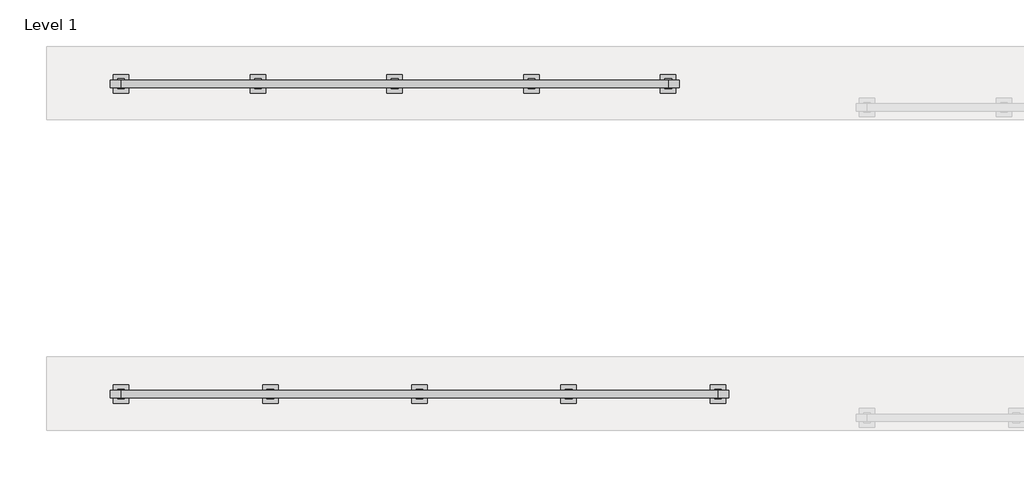
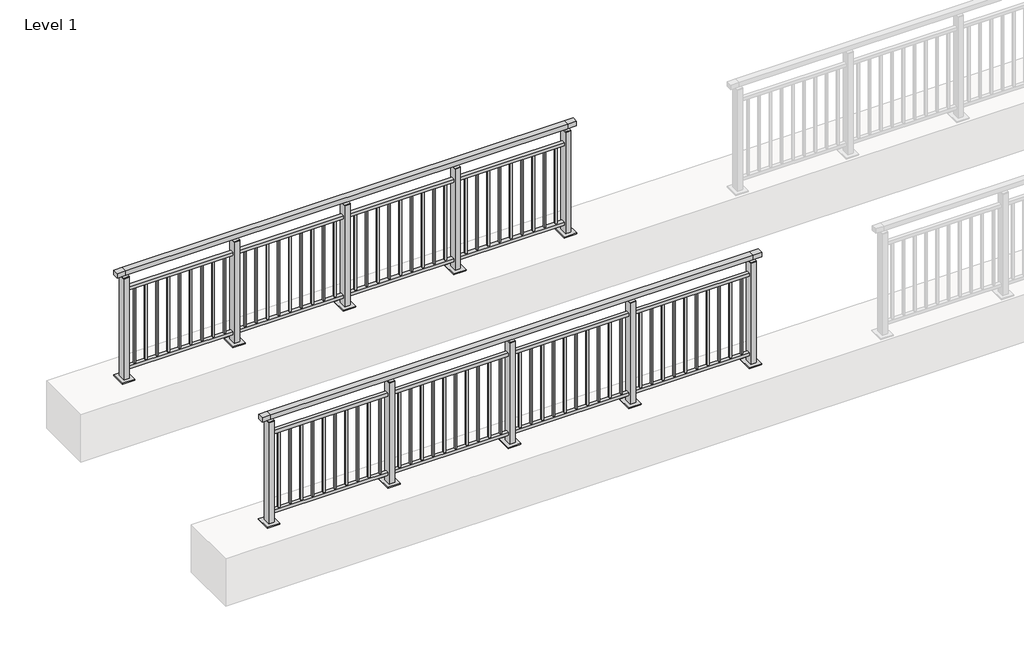
# One storey, part 3 of 38: 2 railings.
"""IFC4 building model written with IfcOpenShell, lengths in millimetres."""

from ifc_helpers import new_model, si_unit, frame, origin, origin_with_axes, place, context, project, spatial, polyline, outline, extrude, faceted_brep, element, save

model = new_model("IFC4")

# Units and contexts
model_context = context("Model", 3, world=origin())
ifc_project = project(units=[si_unit("LENGTHUNIT", "METRE", prefix="MILLI")], contexts=[model_context])

# Site, building, storey
site = spatial("IfcSite", under=ifc_project)
building = spatial("IfcBuilding", under=site)
storey = spatial("IfcBuildingStorey", under=building, Name="Level 1", Elevation=0.0)

# Railings
placement = place(None, origin())
element("IfcRailing", 1, at=placement, inside=storey, context=model_context, shape_type="SolidModel", body=[
    faceted_brep([(0.0, 2720.1846828, 1102.5), (0.0, 2720.1846828, 1150.0), (4800.0, 2720.1846828, 1150.0), (4800.0, 2720.1846828, 1102.5), (0.0, 2660.1846828, 1102.5), (4800.0, 2660.1846828, 1102.5), (0.0, 2660.1846828, 1150.0), (4800.0, 2660.1846828, 1150.0), (-87.5, 2720.1846828, 1150.0), (-87.5, 2720.1846828, 1102.5), (-87.5, 2660.1846828, 1102.5), (-87.5, 2660.1846828, 1150.0), (4887.5, 2720.1846828, 1150.0), (4887.5, 2660.1846828, 1150.0), (4887.5, 2660.1846828, 1102.5), (4887.5, 2720.1846828, 1102.5)], [[[0, 1, 2, 3]], [[4, 0, 3, 5]], [[6, 4, 5, 7]], [[1, 6, 7, 2]], [[8, 9, 10, 11]], [[9, 8, 1, 0]], [[10, 9, 0, 4]], [[11, 10, 4, 6]], [[8, 11, 6, 1]], [[12, 13, 14, 15]], [[3, 2, 12, 15]], [[5, 3, 15, 14]], [[7, 5, 14, 13]], [[2, 7, 13, 12]]]),
    extrude(outline(polyline([(0.0, 2672.1846828), (0.0, 2708.1846828), (4800.0, 2708.1846828), (4800.0, 2672.1846828), (0.0, 2672.1846828)])), frame((0.0, 0.0, 928.0), z_axis=(0.0, 0.0, 1.0), x_axis=(1.0, 0.0, 0.0)), (0.0, 0.0, 1.0), 32.0),
    extrude(outline(polyline([(0.0, 2672.1846828), (0.0, 2708.1846828), (4800.0, 2708.1846828), (4800.0, 2672.1846828), (0.0, 2672.1846828)])), frame((0.0, 0.0, 93.0), z_axis=(0.0, 0.0, 1.0), x_axis=(1.0, 0.0, 0.0)), (0.0, 0.0, 1.0), 32.0),
    extrude(outline(polyline([(4712.5, 2698.6846828), (4712.5, 2681.6846828), (4695.5, 2681.6846828), (4695.5, 2698.6846828), (4712.5, 2698.6846828)])), frame((0.0, 0.0, 125.0), z_axis=(0.0, 0.0, 1.0), x_axis=(1.0, 0.0, 0.0)), (0.0, 0.0, 1.0), 803.0),
    extrude(outline(polyline([(4600.5, 2698.6846828), (4600.5, 2681.6846828), (4583.5, 2681.6846828), (4583.5, 2698.6846828), (4600.5, 2698.6846828)])), frame((0.0, 0.0, 125.0), z_axis=(0.0, 0.0, 1.0), x_axis=(1.0, 0.0, 0.0)), (0.0, 0.0, 1.0), 803.0),
    extrude(outline(polyline([(4488.5, 2698.6846828), (4488.5, 2681.6846828), (4471.5, 2681.6846828), (4471.5, 2698.6846828), (4488.5, 2698.6846828)])), frame((0.0, 0.0, 125.0), z_axis=(0.0, 0.0, 1.0), x_axis=(1.0, 0.0, 0.0)), (0.0, 0.0, 1.0), 803.0),
    extrude(outline(polyline([(4376.5, 2698.6846828), (4376.5, 2681.6846828), (4359.5, 2681.6846828), (4359.5, 2698.6846828), (4376.5, 2698.6846828)])), frame((0.0, 0.0, 125.0), z_axis=(0.0, 0.0, 1.0), x_axis=(1.0, 0.0, 0.0)), (0.0, 0.0, 1.0), 803.0),
    extrude(outline(polyline([(4264.5, 2698.6846828), (4264.5, 2681.6846828), (4247.5, 2681.6846828), (4247.5, 2698.6846828), (4264.5, 2698.6846828)])), frame((0.0, 0.0, 125.0), z_axis=(0.0, 0.0, 1.0), x_axis=(1.0, 0.0, 0.0)), (0.0, 0.0, 1.0), 803.0),
    extrude(outline(polyline([(4152.5, 2698.6846828), (4152.5, 2681.6846828), (4135.5, 2681.6846828), (4135.5, 2698.6846828), (4152.5, 2698.6846828)])), frame((0.0, 0.0, 125.0), z_axis=(0.0, 0.0, 1.0), x_axis=(1.0, 0.0, 0.0)), (0.0, 0.0, 1.0), 803.0),
    extrude(outline(polyline([(4040.5, 2698.6846828), (4040.5, 2681.6846828), (4023.5, 2681.6846828), (4023.5, 2698.6846828), (4040.5, 2698.6846828)])), frame((0.0, 0.0, 125.0), z_axis=(0.0, 0.0, 1.0), x_axis=(1.0, 0.0, 0.0)), (0.0, 0.0, 1.0), 803.0),
    extrude(outline(polyline([(3928.5, 2698.6846828), (3928.5, 2681.6846828), (3911.5, 2681.6846828), (3911.5, 2698.6846828), (3928.5, 2698.6846828)])), frame((0.0, 0.0, 125.0), z_axis=(0.0, 0.0, 1.0), x_axis=(1.0, 0.0, 0.0)), (0.0, 0.0, 1.0), 803.0),
    extrude(outline(polyline([(3816.5, 2698.6846828), (3816.5, 2681.6846828), (3799.5, 2681.6846828), (3799.5, 2698.6846828), (3816.5, 2698.6846828)])), frame((0.0, 0.0, 125.0), z_axis=(0.0, 0.0, 1.0), x_axis=(1.0, 0.0, 0.0)), (0.0, 0.0, 1.0), 803.0),
    extrude(outline(polyline([(3704.5, 2698.6846828), (3704.5, 2681.6846828), (3687.5, 2681.6846828), (3687.5, 2698.6846828), (3704.5, 2698.6846828)])), frame((0.0, 0.0, 125.0), z_axis=(0.0, 0.0, 1.0), x_axis=(1.0, 0.0, 0.0)), (0.0, 0.0, 1.0), 803.0),
    extrude(outline(polyline([(3610.0, 2680.1846828), (3590.0, 2680.1846828), (3590.0, 2700.1846828), (3610.0, 2700.1846828), (3610.0, 2680.1846828)])), frame((0.0, 0.0, 1085.0), z_axis=(0.0, 0.0, 1.0), x_axis=(1.0, 0.0, 0.0)), (0.0, 0.0, 1.0), 20.0),
    extrude(outline(polyline([(3627.0, 2651.1846828), (3573.0, 2651.1846828), (3573.0, 2729.1846828), (3627.0, 2729.1846828), (3627.0, 2651.1846828)])), frame((0.0, 0.0, 1077.0), z_axis=(0.0, 0.0, 1.0), x_axis=(1.0, 0.0, 0.0)), (0.0, 0.0, 1.0), 8.0),
    extrude(outline(polyline([(3662.5, 2615.1846828), (3537.5, 2615.1846828), (3537.5, 2765.1846828), (3662.5, 2765.1846828), (3662.5, 2615.1846828)])), origin_with_axes(), (0.0, 0.0, 1.0), 12.0),
    extrude(outline(polyline([(3627.0, 2651.1846828), (3573.0, 2651.1846828), (3573.0, 2729.1846828), (3627.0, 2729.1846828), (3627.0, 2651.1846828)])), frame((0.0, 0.0, 12.0), z_axis=(0.0, 0.0, 1.0), x_axis=(1.0, 0.0, 0.0)), (0.0, 0.0, 1.0), 1065.0),
    extrude(outline(polyline([(3512.5, 2698.6846828), (3512.5, 2681.6846828), (3495.5, 2681.6846828), (3495.5, 2698.6846828), (3512.5, 2698.6846828)])), frame((0.0, 0.0, 125.0), z_axis=(0.0, 0.0, 1.0), x_axis=(1.0, 0.0, 0.0)), (0.0, 0.0, 1.0), 803.0),
    extrude(outline(polyline([(3400.5, 2698.6846828), (3400.5, 2681.6846828), (3383.5, 2681.6846828), (3383.5, 2698.6846828), (3400.5, 2698.6846828)])), frame((0.0, 0.0, 125.0), z_axis=(0.0, 0.0, 1.0), x_axis=(1.0, 0.0, 0.0)), (0.0, 0.0, 1.0), 803.0),
    extrude(outline(polyline([(3288.5, 2698.6846828), (3288.5, 2681.6846828), (3271.5, 2681.6846828), (3271.5, 2698.6846828), (3288.5, 2698.6846828)])), frame((0.0, 0.0, 125.0), z_axis=(0.0, 0.0, 1.0), x_axis=(1.0, 0.0, 0.0)), (0.0, 0.0, 1.0), 803.0),
    extrude(outline(polyline([(3176.5, 2698.6846828), (3176.5, 2681.6846828), (3159.5, 2681.6846828), (3159.5, 2698.6846828), (3176.5, 2698.6846828)])), frame((0.0, 0.0, 125.0), z_axis=(0.0, 0.0, 1.0), x_axis=(1.0, 0.0, 0.0)), (0.0, 0.0, 1.0), 803.0),
    extrude(outline(polyline([(3064.5, 2698.6846828), (3064.5, 2681.6846828), (3047.5, 2681.6846828), (3047.5, 2698.6846828), (3064.5, 2698.6846828)])), frame((0.0, 0.0, 125.0), z_axis=(0.0, 0.0, 1.0), x_axis=(1.0, 0.0, 0.0)), (0.0, 0.0, 1.0), 803.0),
    extrude(outline(polyline([(2952.5, 2698.6846828), (2952.5, 2681.6846828), (2935.5, 2681.6846828), (2935.5, 2698.6846828), (2952.5, 2698.6846828)])), frame((0.0, 0.0, 125.0), z_axis=(0.0, 0.0, 1.0), x_axis=(1.0, 0.0, 0.0)), (0.0, 0.0, 1.0), 803.0),
    extrude(outline(polyline([(2840.5, 2698.6846828), (2840.5, 2681.6846828), (2823.5, 2681.6846828), (2823.5, 2698.6846828), (2840.5, 2698.6846828)])), frame((0.0, 0.0, 125.0), z_axis=(0.0, 0.0, 1.0), x_axis=(1.0, 0.0, 0.0)), (0.0, 0.0, 1.0), 803.0),
    extrude(outline(polyline([(2728.5, 2698.6846828), (2728.5, 2681.6846828), (2711.5, 2681.6846828), (2711.5, 2698.6846828), (2728.5, 2698.6846828)])), frame((0.0, 0.0, 125.0), z_axis=(0.0, 0.0, 1.0), x_axis=(1.0, 0.0, 0.0)), (0.0, 0.0, 1.0), 803.0),
    extrude(outline(polyline([(2616.5, 2698.6846828), (2616.5, 2681.6846828), (2599.5, 2681.6846828), (2599.5, 2698.6846828), (2616.5, 2698.6846828)])), frame((0.0, 0.0, 125.0), z_axis=(0.0, 0.0, 1.0), x_axis=(1.0, 0.0, 0.0)), (0.0, 0.0, 1.0), 803.0),
    extrude(outline(polyline([(2504.5, 2698.6846828), (2504.5, 2681.6846828), (2487.5, 2681.6846828), (2487.5, 2698.6846828), (2504.5, 2698.6846828)])), frame((0.0, 0.0, 125.0), z_axis=(0.0, 0.0, 1.0), x_axis=(1.0, 0.0, 0.0)), (0.0, 0.0, 1.0), 803.0),
    extrude(outline(polyline([(2410.0, 2680.1846828), (2390.0, 2680.1846828), (2390.0, 2700.1846828), (2410.0, 2700.1846828), (2410.0, 2680.1846828)])), frame((0.0, 0.0, 1085.0), z_axis=(0.0, 0.0, 1.0), x_axis=(1.0, 0.0, 0.0)), (0.0, 0.0, 1.0), 20.0),
    extrude(outline(polyline([(2427.0, 2651.1846828), (2373.0, 2651.1846828), (2373.0, 2729.1846828), (2427.0, 2729.1846828), (2427.0, 2651.1846828)])), frame((0.0, 0.0, 1077.0), z_axis=(0.0, 0.0, 1.0), x_axis=(1.0, 0.0, 0.0)), (0.0, 0.0, 1.0), 8.0),
    extrude(outline(polyline([(2462.5, 2615.1846828), (2337.5, 2615.1846828), (2337.5, 2765.1846828), (2462.5, 2765.1846828), (2462.5, 2615.1846828)])), origin_with_axes(), (0.0, 0.0, 1.0), 12.0),
    extrude(outline(polyline([(2427.0, 2651.1846828), (2373.0, 2651.1846828), (2373.0, 2729.1846828), (2427.0, 2729.1846828), (2427.0, 2651.1846828)])), frame((0.0, 0.0, 12.0), z_axis=(0.0, 0.0, 1.0), x_axis=(1.0, 0.0, 0.0)), (0.0, 0.0, 1.0), 1065.0),
    extrude(outline(polyline([(2312.5, 2698.6846828), (2312.5, 2681.6846828), (2295.5, 2681.6846828), (2295.5, 2698.6846828), (2312.5, 2698.6846828)])), frame((0.0, 0.0, 125.0), z_axis=(0.0, 0.0, 1.0), x_axis=(1.0, 0.0, 0.0)), (0.0, 0.0, 1.0), 803.0),
    extrude(outline(polyline([(2200.5, 2698.6846828), (2200.5, 2681.6846828), (2183.5, 2681.6846828), (2183.5, 2698.6846828), (2200.5, 2698.6846828)])), frame((0.0, 0.0, 125.0), z_axis=(0.0, 0.0, 1.0), x_axis=(1.0, 0.0, 0.0)), (0.0, 0.0, 1.0), 803.0),
    extrude(outline(polyline([(2088.5, 2698.6846828), (2088.5, 2681.6846828), (2071.5, 2681.6846828), (2071.5, 2698.6846828), (2088.5, 2698.6846828)])), frame((0.0, 0.0, 125.0), z_axis=(0.0, 0.0, 1.0), x_axis=(1.0, 0.0, 0.0)), (0.0, 0.0, 1.0), 803.0),
    extrude(outline(polyline([(1976.5, 2698.6846828), (1976.5, 2681.6846828), (1959.5, 2681.6846828), (1959.5, 2698.6846828), (1976.5, 2698.6846828)])), frame((0.0, 0.0, 125.0), z_axis=(0.0, 0.0, 1.0), x_axis=(1.0, 0.0, 0.0)), (0.0, 0.0, 1.0), 803.0),
    extrude(outline(polyline([(1864.5, 2698.6846828), (1864.5, 2681.6846828), (1847.5, 2681.6846828), (1847.5, 2698.6846828), (1864.5, 2698.6846828)])), frame((0.0, 0.0, 125.0), z_axis=(0.0, 0.0, 1.0), x_axis=(1.0, 0.0, 0.0)), (0.0, 0.0, 1.0), 803.0),
    extrude(outline(polyline([(1752.5, 2698.6846828), (1752.5, 2681.6846828), (1735.5, 2681.6846828), (1735.5, 2698.6846828), (1752.5, 2698.6846828)])), frame((0.0, 0.0, 125.0), z_axis=(0.0, 0.0, 1.0), x_axis=(1.0, 0.0, 0.0)), (0.0, 0.0, 1.0), 803.0),
    extrude(outline(polyline([(1640.5, 2698.6846828), (1640.5, 2681.6846828), (1623.5, 2681.6846828), (1623.5, 2698.6846828), (1640.5, 2698.6846828)])), frame((0.0, 0.0, 125.0), z_axis=(0.0, 0.0, 1.0), x_axis=(1.0, 0.0, 0.0)), (0.0, 0.0, 1.0), 803.0),
    extrude(outline(polyline([(1528.5, 2698.6846828), (1528.5, 2681.6846828), (1511.5, 2681.6846828), (1511.5, 2698.6846828), (1528.5, 2698.6846828)])), frame((0.0, 0.0, 125.0), z_axis=(0.0, 0.0, 1.0), x_axis=(1.0, 0.0, 0.0)), (0.0, 0.0, 1.0), 803.0),
    extrude(outline(polyline([(1416.5, 2698.6846828), (1416.5, 2681.6846828), (1399.5, 2681.6846828), (1399.5, 2698.6846828), (1416.5, 2698.6846828)])), frame((0.0, 0.0, 125.0), z_axis=(0.0, 0.0, 1.0), x_axis=(1.0, 0.0, 0.0)), (0.0, 0.0, 1.0), 803.0),
    extrude(outline(polyline([(1304.5, 2698.6846828), (1304.5, 2681.6846828), (1287.5, 2681.6846828), (1287.5, 2698.6846828), (1304.5, 2698.6846828)])), frame((0.0, 0.0, 125.0), z_axis=(0.0, 0.0, 1.0), x_axis=(1.0, 0.0, 0.0)), (0.0, 0.0, 1.0), 803.0),
    extrude(outline(polyline([(1210.0, 2680.1846828), (1190.0, 2680.1846828), (1190.0, 2700.1846828), (1210.0, 2700.1846828), (1210.0, 2680.1846828)])), frame((0.0, 0.0, 1085.0), z_axis=(0.0, 0.0, 1.0), x_axis=(1.0, 0.0, 0.0)), (0.0, 0.0, 1.0), 20.0),
    extrude(outline(polyline([(1227.0, 2651.1846828), (1173.0, 2651.1846828), (1173.0, 2729.1846828), (1227.0, 2729.1846828), (1227.0, 2651.1846828)])), frame((0.0, 0.0, 1077.0), z_axis=(0.0, 0.0, 1.0), x_axis=(1.0, 0.0, 0.0)), (0.0, 0.0, 1.0), 8.0),
    extrude(outline(polyline([(1262.5, 2615.1846828), (1137.5, 2615.1846828), (1137.5, 2765.1846828), (1262.5, 2765.1846828), (1262.5, 2615.1846828)])), origin_with_axes(), (0.0, 0.0, 1.0), 12.0),
    extrude(outline(polyline([(1227.0, 2651.1846828), (1173.0, 2651.1846828), (1173.0, 2729.1846828), (1227.0, 2729.1846828), (1227.0, 2651.1846828)])), frame((0.0, 0.0, 12.0), z_axis=(0.0, 0.0, 1.0), x_axis=(1.0, 0.0, 0.0)), (0.0, 0.0, 1.0), 1065.0),
    extrude(outline(polyline([(1112.5, 2698.6846828), (1112.5, 2681.6846828), (1095.5, 2681.6846828), (1095.5, 2698.6846828), (1112.5, 2698.6846828)])), frame((0.0, 0.0, 125.0), z_axis=(0.0, 0.0, 1.0), x_axis=(1.0, 0.0, 0.0)), (0.0, 0.0, 1.0), 803.0),
    extrude(outline(polyline([(1000.5, 2698.6846828), (1000.5, 2681.6846828), (983.5, 2681.6846828), (983.5, 2698.6846828), (1000.5, 2698.6846828)])), frame((0.0, 0.0, 125.0), z_axis=(0.0, 0.0, 1.0), x_axis=(1.0, 0.0, 0.0)), (0.0, 0.0, 1.0), 803.0),
    extrude(outline(polyline([(888.5, 2698.6846828), (888.5, 2681.6846828), (871.5, 2681.6846828), (871.5, 2698.6846828), (888.5, 2698.6846828)])), frame((0.0, 0.0, 125.0), z_axis=(0.0, 0.0, 1.0), x_axis=(1.0, 0.0, 0.0)), (0.0, 0.0, 1.0), 803.0),
    extrude(outline(polyline([(776.5, 2698.6846828), (776.5, 2681.6846828), (759.5, 2681.6846828), (759.5, 2698.6846828), (776.5, 2698.6846828)])), frame((0.0, 0.0, 125.0), z_axis=(0.0, 0.0, 1.0), x_axis=(1.0, 0.0, 0.0)), (0.0, 0.0, 1.0), 803.0),
    extrude(outline(polyline([(664.5, 2698.6846828), (664.5, 2681.6846828), (647.5, 2681.6846828), (647.5, 2698.6846828), (664.5, 2698.6846828)])), frame((0.0, 0.0, 125.0), z_axis=(0.0, 0.0, 1.0), x_axis=(1.0, 0.0, 0.0)), (0.0, 0.0, 1.0), 803.0),
    extrude(outline(polyline([(552.5, 2698.6846828), (552.5, 2681.6846828), (535.5, 2681.6846828), (535.5, 2698.6846828), (552.5, 2698.6846828)])), frame((0.0, 0.0, 125.0), z_axis=(0.0, 0.0, 1.0), x_axis=(1.0, 0.0, 0.0)), (0.0, 0.0, 1.0), 803.0),
    extrude(outline(polyline([(440.5, 2698.6846828), (440.5, 2681.6846828), (423.5, 2681.6846828), (423.5, 2698.6846828), (440.5, 2698.6846828)])), frame((0.0, 0.0, 125.0), z_axis=(0.0, 0.0, 1.0), x_axis=(1.0, 0.0, 0.0)), (0.0, 0.0, 1.0), 803.0),
    extrude(outline(polyline([(328.5, 2698.6846828), (328.5, 2681.6846828), (311.5, 2681.6846828), (311.5, 2698.6846828), (328.5, 2698.6846828)])), frame((0.0, 0.0, 125.0), z_axis=(0.0, 0.0, 1.0), x_axis=(1.0, 0.0, 0.0)), (0.0, 0.0, 1.0), 803.0),
    extrude(outline(polyline([(216.5, 2698.6846828), (216.5, 2681.6846828), (199.5, 2681.6846828), (199.5, 2698.6846828), (216.5, 2698.6846828)])), frame((0.0, 0.0, 125.0), z_axis=(0.0, 0.0, 1.0), x_axis=(1.0, 0.0, 0.0)), (0.0, 0.0, 1.0), 803.0),
    extrude(outline(polyline([(104.5, 2698.6846828), (104.5, 2681.6846828), (87.5, 2681.6846828), (87.5, 2698.6846828), (104.5, 2698.6846828)])), frame((0.0, 0.0, 125.0), z_axis=(0.0, 0.0, 1.0), x_axis=(1.0, 0.0, 0.0)), (0.0, 0.0, 1.0), 803.0),
    extrude(outline(polyline([(4810.0, 2680.1846828), (4790.0, 2680.1846828), (4790.0, 2700.1846828), (4810.0, 2700.1846828), (4810.0, 2680.1846828)])), frame((0.0, 0.0, 1085.0), z_axis=(0.0, 0.0, 1.0), x_axis=(1.0, 0.0, 0.0)), (0.0, 0.0, 1.0), 20.0),
    extrude(outline(polyline([(4827.0, 2651.1846828), (4773.0, 2651.1846828), (4773.0, 2729.1846828), (4827.0, 2729.1846828), (4827.0, 2651.1846828)])), frame((0.0, 0.0, 1077.0), z_axis=(0.0, 0.0, 1.0), x_axis=(1.0, 0.0, 0.0)), (0.0, 0.0, 1.0), 8.0),
    extrude(outline(polyline([(4862.5, 2615.1846828), (4737.5, 2615.1846828), (4737.5, 2765.1846828), (4862.5, 2765.1846828), (4862.5, 2615.1846828)])), origin_with_axes(), (0.0, 0.0, 1.0), 12.0),
    extrude(outline(polyline([(4827.0, 2651.1846828), (4773.0, 2651.1846828), (4773.0, 2729.1846828), (4827.0, 2729.1846828), (4827.0, 2651.1846828)])), frame((0.0, 0.0, 12.0), z_axis=(0.0, 0.0, 1.0), x_axis=(1.0, 0.0, 0.0)), (0.0, 0.0, 1.0), 1065.0),
    extrude(outline(polyline([(10.0, 2680.1846828), (-10.0, 2680.1846828), (-10.0, 2700.1846828), (10.0, 2700.1846828), (10.0, 2680.1846828)])), frame((0.0, 0.0, 1085.0), z_axis=(0.0, 0.0, 1.0), x_axis=(1.0, 0.0, 0.0)), (0.0, 0.0, 1.0), 20.0),
    extrude(outline(polyline([(27.0, 2651.1846828), (-27.0, 2651.1846828), (-27.0, 2729.1846828), (27.0, 2729.1846828), (27.0, 2651.1846828)])), frame((0.0, 0.0, 1077.0), z_axis=(0.0, 0.0, 1.0), x_axis=(1.0, 0.0, 0.0)), (0.0, 0.0, 1.0), 8.0),
    extrude(outline(polyline([(62.5, 2615.1846828), (-62.5, 2615.1846828), (-62.5, 2765.1846828), (62.5, 2765.1846828), (62.5, 2615.1846828)])), origin_with_axes(), (0.0, 0.0, 1.0), 12.0),
    extrude(outline(polyline([(27.0, 2651.1846828), (-27.0, 2651.1846828), (-27.0, 2729.1846828), (27.0, 2729.1846828), (27.0, 2651.1846828)])), frame((0.0, 0.0, 12.0), z_axis=(0.0, 0.0, 1.0), x_axis=(1.0, 0.0, 0.0)), (0.0, 0.0, 1.0), 1065.0),
])
element("IfcRailing", 2, at=placement, inside=storey, context=model_context, shape_type="SolidModel", body=[
    faceted_brep([(0.0, 5220.1846828, 1102.5), (0.0, 5220.1846828, 1150.0), (4400.0, 5220.1846828, 1150.0), (4400.0, 5220.1846828, 1102.5), (0.0, 5160.1846828, 1102.5), (4400.0, 5160.1846828, 1102.5), (0.0, 5160.1846828, 1150.0), (4400.0, 5160.1846828, 1150.0), (-87.5, 5220.1846828, 1150.0), (-87.5, 5220.1846828, 1102.5), (-87.5, 5160.1846828, 1102.5), (-87.5, 5160.1846828, 1150.0), (4487.5, 5220.1846828, 1150.0), (4487.5, 5160.1846828, 1150.0), (4487.5, 5160.1846828, 1102.5), (4487.5, 5220.1846828, 1102.5)], [[[0, 1, 2, 3]], [[4, 0, 3, 5]], [[6, 4, 5, 7]], [[1, 6, 7, 2]], [[8, 9, 10, 11]], [[9, 8, 1, 0]], [[10, 9, 0, 4]], [[11, 10, 4, 6]], [[8, 11, 6, 1]], [[12, 13, 14, 15]], [[3, 2, 12, 15]], [[5, 3, 15, 14]], [[7, 5, 14, 13]], [[2, 7, 13, 12]]]),
    extrude(outline(polyline([(0.0, 5172.1846828), (0.0, 5208.1846828), (4400.0, 5208.1846828), (4400.0, 5172.1846828), (0.0, 5172.1846828)])), frame((0.0, 0.0, 928.0), z_axis=(0.0, 0.0, 1.0), x_axis=(1.0, 0.0, 0.0)), (0.0, 0.0, 1.0), 32.0),
    extrude(outline(polyline([(0.0, 5172.1846828), (0.0, 5208.1846828), (4400.0, 5208.1846828), (4400.0, 5172.1846828), (0.0, 5172.1846828)])), frame((0.0, 0.0, 93.0), z_axis=(0.0, 0.0, 1.0), x_axis=(1.0, 0.0, 0.0)), (0.0, 0.0, 1.0), 32.0),
    extrude(outline(polyline([(4306.5, 5198.6846828), (4306.5, 5181.6846828), (4289.5, 5181.6846828), (4289.5, 5198.6846828), (4306.5, 5198.6846828)])), frame((0.0, 0.0, 125.0), z_axis=(0.0, 0.0, 1.0), x_axis=(1.0, 0.0, 0.0)), (0.0, 0.0, 1.0), 803.0),
    extrude(outline(polyline([(4194.5, 5198.6846828), (4194.5, 5181.6846828), (4177.5, 5181.6846828), (4177.5, 5198.6846828), (4194.5, 5198.6846828)])), frame((0.0, 0.0, 125.0), z_axis=(0.0, 0.0, 1.0), x_axis=(1.0, 0.0, 0.0)), (0.0, 0.0, 1.0), 803.0),
    extrude(outline(polyline([(4082.5, 5198.6846828), (4082.5, 5181.6846828), (4065.5, 5181.6846828), (4065.5, 5198.6846828), (4082.5, 5198.6846828)])), frame((0.0, 0.0, 125.0), z_axis=(0.0, 0.0, 1.0), x_axis=(1.0, 0.0, 0.0)), (0.0, 0.0, 1.0), 803.0),
    extrude(outline(polyline([(3970.5, 5198.6846828), (3970.5, 5181.6846828), (3953.5, 5181.6846828), (3953.5, 5198.6846828), (3970.5, 5198.6846828)])), frame((0.0, 0.0, 125.0), z_axis=(0.0, 0.0, 1.0), x_axis=(1.0, 0.0, 0.0)), (0.0, 0.0, 1.0), 803.0),
    extrude(outline(polyline([(3858.5, 5198.6846828), (3858.5, 5181.6846828), (3841.5, 5181.6846828), (3841.5, 5198.6846828), (3858.5, 5198.6846828)])), frame((0.0, 0.0, 125.0), z_axis=(0.0, 0.0, 1.0), x_axis=(1.0, 0.0, 0.0)), (0.0, 0.0, 1.0), 803.0),
    extrude(outline(polyline([(3746.5, 5198.6846828), (3746.5, 5181.6846828), (3729.5, 5181.6846828), (3729.5, 5198.6846828), (3746.5, 5198.6846828)])), frame((0.0, 0.0, 125.0), z_axis=(0.0, 0.0, 1.0), x_axis=(1.0, 0.0, 0.0)), (0.0, 0.0, 1.0), 803.0),
    extrude(outline(polyline([(3634.5, 5198.6846828), (3634.5, 5181.6846828), (3617.5, 5181.6846828), (3617.5, 5198.6846828), (3634.5, 5198.6846828)])), frame((0.0, 0.0, 125.0), z_axis=(0.0, 0.0, 1.0), x_axis=(1.0, 0.0, 0.0)), (0.0, 0.0, 1.0), 803.0),
    extrude(outline(polyline([(3522.5, 5198.6846828), (3522.5, 5181.6846828), (3505.5, 5181.6846828), (3505.5, 5198.6846828), (3522.5, 5198.6846828)])), frame((0.0, 0.0, 125.0), z_axis=(0.0, 0.0, 1.0), x_axis=(1.0, 0.0, 0.0)), (0.0, 0.0, 1.0), 803.0),
    extrude(outline(polyline([(3410.5, 5198.6846828), (3410.5, 5181.6846828), (3393.5, 5181.6846828), (3393.5, 5198.6846828), (3410.5, 5198.6846828)])), frame((0.0, 0.0, 125.0), z_axis=(0.0, 0.0, 1.0), x_axis=(1.0, 0.0, 0.0)), (0.0, 0.0, 1.0), 803.0),
    extrude(outline(polyline([(3310.0, 5180.1846828), (3290.0, 5180.1846828), (3290.0, 5200.1846828), (3310.0, 5200.1846828), (3310.0, 5180.1846828)])), frame((0.0, 0.0, 1085.0), z_axis=(0.0, 0.0, 1.0), x_axis=(1.0, 0.0, 0.0)), (0.0, 0.0, 1.0), 20.0),
    extrude(outline(polyline([(3327.0, 5151.1846828), (3273.0, 5151.1846828), (3273.0, 5229.1846828), (3327.0, 5229.1846828), (3327.0, 5151.1846828)])), frame((0.0, 0.0, 1077.0), z_axis=(0.0, 0.0, 1.0), x_axis=(1.0, 0.0, 0.0)), (0.0, 0.0, 1.0), 8.0),
    extrude(outline(polyline([(3362.5, 5115.1846828), (3237.5, 5115.1846828), (3237.5, 5265.1846828), (3362.5, 5265.1846828), (3362.5, 5115.1846828)])), origin_with_axes(), (0.0, 0.0, 1.0), 12.0),
    extrude(outline(polyline([(3327.0, 5151.1846828), (3273.0, 5151.1846828), (3273.0, 5229.1846828), (3327.0, 5229.1846828), (3327.0, 5151.1846828)])), frame((0.0, 0.0, 12.0), z_axis=(0.0, 0.0, 1.0), x_axis=(1.0, 0.0, 0.0)), (0.0, 0.0, 1.0), 1065.0),
    extrude(outline(polyline([(3206.5, 5198.6846828), (3206.5, 5181.6846828), (3189.5, 5181.6846828), (3189.5, 5198.6846828), (3206.5, 5198.6846828)])), frame((0.0, 0.0, 125.0), z_axis=(0.0, 0.0, 1.0), x_axis=(1.0, 0.0, 0.0)), (0.0, 0.0, 1.0), 803.0),
    extrude(outline(polyline([(3094.5, 5198.6846828), (3094.5, 5181.6846828), (3077.5, 5181.6846828), (3077.5, 5198.6846828), (3094.5, 5198.6846828)])), frame((0.0, 0.0, 125.0), z_axis=(0.0, 0.0, 1.0), x_axis=(1.0, 0.0, 0.0)), (0.0, 0.0, 1.0), 803.0),
    extrude(outline(polyline([(2982.5, 5198.6846828), (2982.5, 5181.6846828), (2965.5, 5181.6846828), (2965.5, 5198.6846828), (2982.5, 5198.6846828)])), frame((0.0, 0.0, 125.0), z_axis=(0.0, 0.0, 1.0), x_axis=(1.0, 0.0, 0.0)), (0.0, 0.0, 1.0), 803.0),
    extrude(outline(polyline([(2870.5, 5198.6846828), (2870.5, 5181.6846828), (2853.5, 5181.6846828), (2853.5, 5198.6846828), (2870.5, 5198.6846828)])), frame((0.0, 0.0, 125.0), z_axis=(0.0, 0.0, 1.0), x_axis=(1.0, 0.0, 0.0)), (0.0, 0.0, 1.0), 803.0),
    extrude(outline(polyline([(2758.5, 5198.6846828), (2758.5, 5181.6846828), (2741.5, 5181.6846828), (2741.5, 5198.6846828), (2758.5, 5198.6846828)])), frame((0.0, 0.0, 125.0), z_axis=(0.0, 0.0, 1.0), x_axis=(1.0, 0.0, 0.0)), (0.0, 0.0, 1.0), 803.0),
    extrude(outline(polyline([(2646.5, 5198.6846828), (2646.5, 5181.6846828), (2629.5, 5181.6846828), (2629.5, 5198.6846828), (2646.5, 5198.6846828)])), frame((0.0, 0.0, 125.0), z_axis=(0.0, 0.0, 1.0), x_axis=(1.0, 0.0, 0.0)), (0.0, 0.0, 1.0), 803.0),
    extrude(outline(polyline([(2534.5, 5198.6846828), (2534.5, 5181.6846828), (2517.5, 5181.6846828), (2517.5, 5198.6846828), (2534.5, 5198.6846828)])), frame((0.0, 0.0, 125.0), z_axis=(0.0, 0.0, 1.0), x_axis=(1.0, 0.0, 0.0)), (0.0, 0.0, 1.0), 803.0),
    extrude(outline(polyline([(2422.5, 5198.6846828), (2422.5, 5181.6846828), (2405.5, 5181.6846828), (2405.5, 5198.6846828), (2422.5, 5198.6846828)])), frame((0.0, 0.0, 125.0), z_axis=(0.0, 0.0, 1.0), x_axis=(1.0, 0.0, 0.0)), (0.0, 0.0, 1.0), 803.0),
    extrude(outline(polyline([(2310.5, 5198.6846828), (2310.5, 5181.6846828), (2293.5, 5181.6846828), (2293.5, 5198.6846828), (2310.5, 5198.6846828)])), frame((0.0, 0.0, 125.0), z_axis=(0.0, 0.0, 1.0), x_axis=(1.0, 0.0, 0.0)), (0.0, 0.0, 1.0), 803.0),
    extrude(outline(polyline([(2210.0, 5180.1846828), (2190.0, 5180.1846828), (2190.0, 5200.1846828), (2210.0, 5200.1846828), (2210.0, 5180.1846828)])), frame((0.0, 0.0, 1085.0), z_axis=(0.0, 0.0, 1.0), x_axis=(1.0, 0.0, 0.0)), (0.0, 0.0, 1.0), 20.0),
    extrude(outline(polyline([(2227.0, 5151.1846828), (2173.0, 5151.1846828), (2173.0, 5229.1846828), (2227.0, 5229.1846828), (2227.0, 5151.1846828)])), frame((0.0, 0.0, 1077.0), z_axis=(0.0, 0.0, 1.0), x_axis=(1.0, 0.0, 0.0)), (0.0, 0.0, 1.0), 8.0),
    extrude(outline(polyline([(2262.5, 5115.1846828), (2137.5, 5115.1846828), (2137.5, 5265.1846828), (2262.5, 5265.1846828), (2262.5, 5115.1846828)])), origin_with_axes(), (0.0, 0.0, 1.0), 12.0),
    extrude(outline(polyline([(2227.0, 5151.1846828), (2173.0, 5151.1846828), (2173.0, 5229.1846828), (2227.0, 5229.1846828), (2227.0, 5151.1846828)])), frame((0.0, 0.0, 12.0), z_axis=(0.0, 0.0, 1.0), x_axis=(1.0, 0.0, 0.0)), (0.0, 0.0, 1.0), 1065.0),
    extrude(outline(polyline([(2106.5, 5198.6846828), (2106.5, 5181.6846828), (2089.5, 5181.6846828), (2089.5, 5198.6846828), (2106.5, 5198.6846828)])), frame((0.0, 0.0, 125.0), z_axis=(0.0, 0.0, 1.0), x_axis=(1.0, 0.0, 0.0)), (0.0, 0.0, 1.0), 803.0),
    extrude(outline(polyline([(1994.5, 5198.6846828), (1994.5, 5181.6846828), (1977.5, 5181.6846828), (1977.5, 5198.6846828), (1994.5, 5198.6846828)])), frame((0.0, 0.0, 125.0), z_axis=(0.0, 0.0, 1.0), x_axis=(1.0, 0.0, 0.0)), (0.0, 0.0, 1.0), 803.0),
    extrude(outline(polyline([(1882.5, 5198.6846828), (1882.5, 5181.6846828), (1865.5, 5181.6846828), (1865.5, 5198.6846828), (1882.5, 5198.6846828)])), frame((0.0, 0.0, 125.0), z_axis=(0.0, 0.0, 1.0), x_axis=(1.0, 0.0, 0.0)), (0.0, 0.0, 1.0), 803.0),
    extrude(outline(polyline([(1770.5, 5198.6846828), (1770.5, 5181.6846828), (1753.5, 5181.6846828), (1753.5, 5198.6846828), (1770.5, 5198.6846828)])), frame((0.0, 0.0, 125.0), z_axis=(0.0, 0.0, 1.0), x_axis=(1.0, 0.0, 0.0)), (0.0, 0.0, 1.0), 803.0),
    extrude(outline(polyline([(1658.5, 5198.6846828), (1658.5, 5181.6846828), (1641.5, 5181.6846828), (1641.5, 5198.6846828), (1658.5, 5198.6846828)])), frame((0.0, 0.0, 125.0), z_axis=(0.0, 0.0, 1.0), x_axis=(1.0, 0.0, 0.0)), (0.0, 0.0, 1.0), 803.0),
    extrude(outline(polyline([(1546.5, 5198.6846828), (1546.5, 5181.6846828), (1529.5, 5181.6846828), (1529.5, 5198.6846828), (1546.5, 5198.6846828)])), frame((0.0, 0.0, 125.0), z_axis=(0.0, 0.0, 1.0), x_axis=(1.0, 0.0, 0.0)), (0.0, 0.0, 1.0), 803.0),
    extrude(outline(polyline([(1434.5, 5198.6846828), (1434.5, 5181.6846828), (1417.5, 5181.6846828), (1417.5, 5198.6846828), (1434.5, 5198.6846828)])), frame((0.0, 0.0, 125.0), z_axis=(0.0, 0.0, 1.0), x_axis=(1.0, 0.0, 0.0)), (0.0, 0.0, 1.0), 803.0),
    extrude(outline(polyline([(1322.5, 5198.6846828), (1322.5, 5181.6846828), (1305.5, 5181.6846828), (1305.5, 5198.6846828), (1322.5, 5198.6846828)])), frame((0.0, 0.0, 125.0), z_axis=(0.0, 0.0, 1.0), x_axis=(1.0, 0.0, 0.0)), (0.0, 0.0, 1.0), 803.0),
    extrude(outline(polyline([(1210.5, 5198.6846828), (1210.5, 5181.6846828), (1193.5, 5181.6846828), (1193.5, 5198.6846828), (1210.5, 5198.6846828)])), frame((0.0, 0.0, 125.0), z_axis=(0.0, 0.0, 1.0), x_axis=(1.0, 0.0, 0.0)), (0.0, 0.0, 1.0), 803.0),
    extrude(outline(polyline([(1110.0, 5180.1846828), (1090.0, 5180.1846828), (1090.0, 5200.1846828), (1110.0, 5200.1846828), (1110.0, 5180.1846828)])), frame((0.0, 0.0, 1085.0), z_axis=(0.0, 0.0, 1.0), x_axis=(1.0, 0.0, 0.0)), (0.0, 0.0, 1.0), 20.0),
    extrude(outline(polyline([(1127.0, 5151.1846828), (1073.0, 5151.1846828), (1073.0, 5229.1846828), (1127.0, 5229.1846828), (1127.0, 5151.1846828)])), frame((0.0, 0.0, 1077.0), z_axis=(0.0, 0.0, 1.0), x_axis=(1.0, 0.0, 0.0)), (0.0, 0.0, 1.0), 8.0),
    extrude(outline(polyline([(1162.5, 5115.1846828), (1037.5, 5115.1846828), (1037.5, 5265.1846828), (1162.5, 5265.1846828), (1162.5, 5115.1846828)])), origin_with_axes(), (0.0, 0.0, 1.0), 12.0),
    extrude(outline(polyline([(1127.0, 5151.1846828), (1073.0, 5151.1846828), (1073.0, 5229.1846828), (1127.0, 5229.1846828), (1127.0, 5151.1846828)])), frame((0.0, 0.0, 12.0), z_axis=(0.0, 0.0, 1.0), x_axis=(1.0, 0.0, 0.0)), (0.0, 0.0, 1.0), 1065.0),
    extrude(outline(polyline([(1006.5, 5198.6846828), (1006.5, 5181.6846828), (989.5, 5181.6846828), (989.5, 5198.6846828), (1006.5, 5198.6846828)])), frame((0.0, 0.0, 125.0), z_axis=(0.0, 0.0, 1.0), x_axis=(1.0, 0.0, 0.0)), (0.0, 0.0, 1.0), 803.0),
    extrude(outline(polyline([(894.5, 5198.6846828), (894.5, 5181.6846828), (877.5, 5181.6846828), (877.5, 5198.6846828), (894.5, 5198.6846828)])), frame((0.0, 0.0, 125.0), z_axis=(0.0, 0.0, 1.0), x_axis=(1.0, 0.0, 0.0)), (0.0, 0.0, 1.0), 803.0),
    extrude(outline(polyline([(782.5, 5198.6846828), (782.5, 5181.6846828), (765.5, 5181.6846828), (765.5, 5198.6846828), (782.5, 5198.6846828)])), frame((0.0, 0.0, 125.0), z_axis=(0.0, 0.0, 1.0), x_axis=(1.0, 0.0, 0.0)), (0.0, 0.0, 1.0), 803.0),
    extrude(outline(polyline([(670.5, 5198.6846828), (670.5, 5181.6846828), (653.5, 5181.6846828), (653.5, 5198.6846828), (670.5, 5198.6846828)])), frame((0.0, 0.0, 125.0), z_axis=(0.0, 0.0, 1.0), x_axis=(1.0, 0.0, 0.0)), (0.0, 0.0, 1.0), 803.0),
    extrude(outline(polyline([(558.5, 5198.6846828), (558.5, 5181.6846828), (541.5, 5181.6846828), (541.5, 5198.6846828), (558.5, 5198.6846828)])), frame((0.0, 0.0, 125.0), z_axis=(0.0, 0.0, 1.0), x_axis=(1.0, 0.0, 0.0)), (0.0, 0.0, 1.0), 803.0),
    extrude(outline(polyline([(446.5, 5198.6846828), (446.5, 5181.6846828), (429.5, 5181.6846828), (429.5, 5198.6846828), (446.5, 5198.6846828)])), frame((0.0, 0.0, 125.0), z_axis=(0.0, 0.0, 1.0), x_axis=(1.0, 0.0, 0.0)), (0.0, 0.0, 1.0), 803.0),
    extrude(outline(polyline([(334.5, 5198.6846828), (334.5, 5181.6846828), (317.5, 5181.6846828), (317.5, 5198.6846828), (334.5, 5198.6846828)])), frame((0.0, 0.0, 125.0), z_axis=(0.0, 0.0, 1.0), x_axis=(1.0, 0.0, 0.0)), (0.0, 0.0, 1.0), 803.0),
    extrude(outline(polyline([(222.5, 5198.6846828), (222.5, 5181.6846828), (205.5, 5181.6846828), (205.5, 5198.6846828), (222.5, 5198.6846828)])), frame((0.0, 0.0, 125.0), z_axis=(0.0, 0.0, 1.0), x_axis=(1.0, 0.0, 0.0)), (0.0, 0.0, 1.0), 803.0),
    extrude(outline(polyline([(110.5, 5198.6846828), (110.5, 5181.6846828), (93.5, 5181.6846828), (93.5, 5198.6846828), (110.5, 5198.6846828)])), frame((0.0, 0.0, 125.0), z_axis=(0.0, 0.0, 1.0), x_axis=(1.0, 0.0, 0.0)), (0.0, 0.0, 1.0), 803.0),
    extrude(outline(polyline([(4410.0, 5180.1846828), (4390.0, 5180.1846828), (4390.0, 5200.1846828), (4410.0, 5200.1846828), (4410.0, 5180.1846828)])), frame((0.0, 0.0, 1085.0), z_axis=(0.0, 0.0, 1.0), x_axis=(1.0, 0.0, 0.0)), (0.0, 0.0, 1.0), 20.0),
    extrude(outline(polyline([(4427.0, 5151.1846828), (4373.0, 5151.1846828), (4373.0, 5229.1846828), (4427.0, 5229.1846828), (4427.0, 5151.1846828)])), frame((0.0, 0.0, 1077.0), z_axis=(0.0, 0.0, 1.0), x_axis=(1.0, 0.0, 0.0)), (0.0, 0.0, 1.0), 8.0),
    extrude(outline(polyline([(4462.5, 5115.1846828), (4337.5, 5115.1846828), (4337.5, 5265.1846828), (4462.5, 5265.1846828), (4462.5, 5115.1846828)])), origin_with_axes(), (0.0, 0.0, 1.0), 12.0),
    extrude(outline(polyline([(4427.0, 5151.1846828), (4373.0, 5151.1846828), (4373.0, 5229.1846828), (4427.0, 5229.1846828), (4427.0, 5151.1846828)])), frame((0.0, 0.0, 12.0), z_axis=(0.0, 0.0, 1.0), x_axis=(1.0, 0.0, 0.0)), (0.0, 0.0, 1.0), 1065.0),
    extrude(outline(polyline([(10.0, 5180.1846828), (-10.0, 5180.1846828), (-10.0, 5200.1846828), (10.0, 5200.1846828), (10.0, 5180.1846828)])), frame((0.0, 0.0, 1085.0), z_axis=(0.0, 0.0, 1.0), x_axis=(1.0, 0.0, 0.0)), (0.0, 0.0, 1.0), 20.0),
    extrude(outline(polyline([(27.0, 5151.1846828), (-27.0, 5151.1846828), (-27.0, 5229.1846828), (27.0, 5229.1846828), (27.0, 5151.1846828)])), frame((0.0, 0.0, 1077.0), z_axis=(0.0, 0.0, 1.0), x_axis=(1.0, 0.0, 0.0)), (0.0, 0.0, 1.0), 8.0),
    extrude(outline(polyline([(62.5, 5115.1846828), (-62.5, 5115.1846828), (-62.5, 5265.1846828), (62.5, 5265.1846828), (62.5, 5115.1846828)])), origin_with_axes(), (0.0, 0.0, 1.0), 12.0),
    extrude(outline(polyline([(27.0, 5151.1846828), (-27.0, 5151.1846828), (-27.0, 5229.1846828), (27.0, 5229.1846828), (27.0, 5151.1846828)])), frame((0.0, 0.0, 12.0), z_axis=(0.0, 0.0, 1.0), x_axis=(1.0, 0.0, 0.0)), (0.0, 0.0, 1.0), 1065.0),
])

save(model, "model.ifc")
